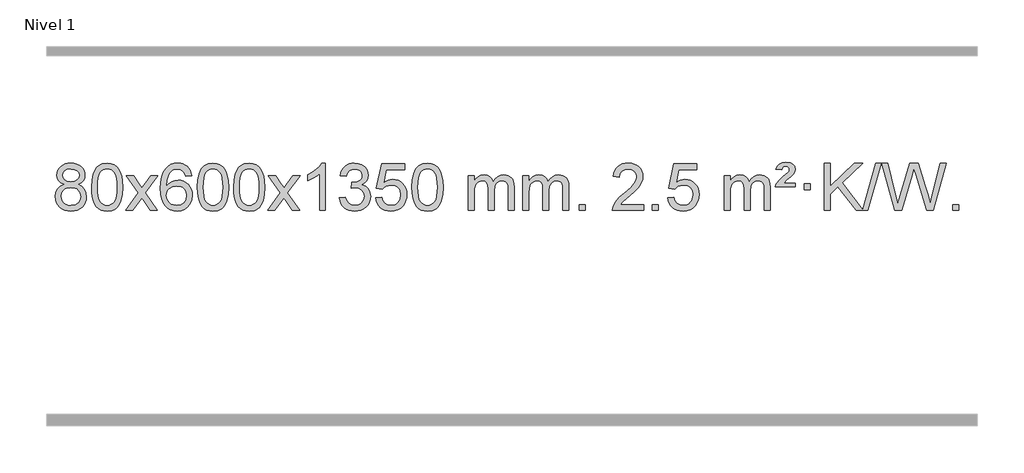
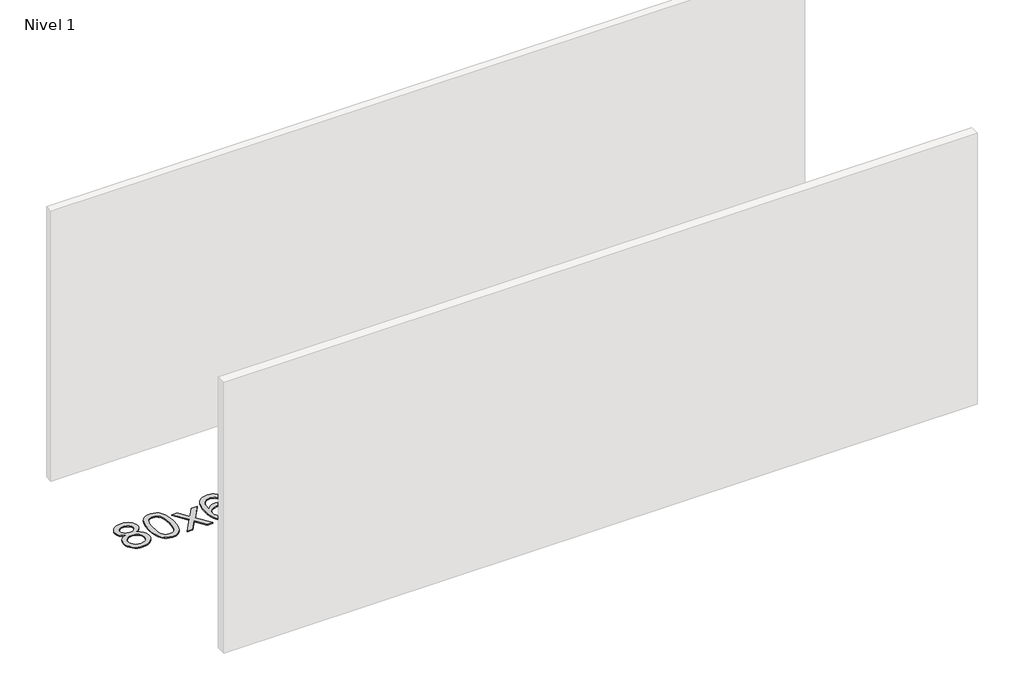
# One storey, part 4 of 9: 1 proxy.
"""IFC4 building model written with IfcOpenShell, lengths in millimetres."""

from ifc_helpers import new_model, si_unit, origin, origin_with_axes, place, context, project, spatial, polyline, outline, extrude, element, save

model = new_model("IFC4")

# Units and contexts
model_context = context("Model", 3, world=origin())
ifc_project = project(units=[si_unit("LENGTHUNIT", "METRE", prefix="MILLI")], contexts=[model_context])

# Site, building, storey
site = spatial("IfcSite", under=ifc_project)
building = spatial("IfcBuilding", under=site)
storey = spatial("IfcBuildingStorey", under=building, Name="Nivel 1", Elevation=0.0)

# Proxy
placement = place(None, origin())
element("IfcBuildingElementProxy", 1, Name="Texto de modelo 1", ObjectType="Texto de modelo 1", at=placement, inside=storey, context=model_context, shape_type="SweptSolid", body=[
    extrude(outline(polyline([(-12882.9857189, -6199.2616447), (-12909.8778927, -6186.0178929), (-12928.7502391, -6168.0652515), (-12939.8970635, -6145.7716026), (-12943.6126717, -6119.5048281), (-12941.5893207, -6099.0199324), (-12935.5192678, -6080.2395565), (-12925.4025129, -6063.1637006), (-12911.2390561, -6047.7923645), (-12893.709479, -6035.088173), (-12873.4943634, -6026.0137504), (-12850.5937092, -6020.5690969), (-12825.0075164, -6018.7542124), (-12799.2986964, -6020.6120165), (-12776.2263639, -6026.1854287), (-12755.7905191, -6035.4744491), (-12737.9911619, -6048.4790776), (-12723.5701876, -6064.1508506), (-12713.2694918, -6081.4413044), (-12707.0890743, -6100.3504389), (-12705.0289351, -6120.8782543), (-12708.6954923, -6146.2989001), (-12719.695164, -6168.2124043), (-12738.1505774, -6186.0546811), (-12764.1843599, -6199.2616447), (-12733.2700096, -6215.1909351), (-12710.7678942, -6238.6495436), (-12697.0458958, -6268.5092989), (-12692.4718963, -6303.6420295), (-12694.740502, -6328.6947933), (-12701.5463189, -6351.6628926), (-12712.8893471, -6372.5463272), (-12728.7695865, -6391.3450971), (-12748.3531714, -6406.88198), (-12770.8062358, -6417.9797536), (-12796.1287798, -6424.6384177), (-12824.3208034, -6426.8579724), (-12852.512827, -6424.6292206), (-12877.835371, -6417.9429654), (-12900.2884354, -6406.7992066), (-12919.8720203, -6391.1979443), (-12935.7522597, -6372.26735), (-12947.0952879, -6351.135595), (-12953.9011048, -6327.8026795), (-12956.1697105, -6302.2686033), (-12951.41177, -6265.7747094), (-12937.1379486, -6235.7555386), (-12914.0840102, -6213.2411605), (-12882.9857189, -6199.2616447)]), holes=[polyline([(-12893.3845166, -6120.9763561), (-12888.9331445, -6142.902123), (-12875.5790281, -6160.413306), (-12853.7145748, -6171.8912243), (-12823.7321922, -6175.717197), (-12794.4487854, -6171.9157497), (-12772.9154259, -6160.5114079), (-12759.6716741, -6143.5888361), (-12755.2570902, -6123.232699), (-12759.8188269, -6102.1040098), (-12773.5040371, -6084.629615), (-12795.3317022, -6072.8941794), (-12824.3208034, -6068.9823675), (-12853.4938456, -6072.8083402), (-12875.2847225, -6084.2862585), (-12888.8595681, -6101.1107284), (-12893.3845166, -6120.9763561)]), polyline([(-12905.9415554, -6300.5027698), (-12903.844628, -6319.7184726), (-12897.5538459, -6338.3210389), (-12885.9410376, -6354.5446349), (-12867.8780316, -6366.623427), (-12846.2465703, -6374.1282197), (-12823.9283959, -6376.6298173), (-12789.7398958, -6371.3691048), (-12775.8462192, -6364.7932141), (-12764.086258, -6355.5869672), (-12748.0466031, -6331.6869002), (-12742.7000514, -6302.0723996), (-12748.2182813, -6271.9551269), (-12764.7729711, -6247.5277625), (-12776.8517633, -6238.0854579), (-12791.0152201, -6231.3409547), (-12825.5961276, -6225.9453521), (-12859.3063811, -6231.2673783), (-12873.043708, -6237.919911), (-12884.7025015, -6247.2334569), (-12900.6317919, -6271.1948375), (-12905.9415554, -6300.5027698)])]), origin_with_axes(), (0.0, 0.0, 1.0), 10.0),
    extrude(outline(polyline([(-12648.5222606, -6222.9041943), (-12644.8311779, -6158.5861588), (-12633.7579299, -6107.2911459), (-12615.4128811, -6068.2343407), (-12603.5548181, -6053.0009605), (-12589.9063961, -6040.6309284), (-12574.4216298, -6031.0598651), (-12557.0545339, -6024.2233914), (-12516.6733536, -6018.7542124), (-12485.722215, -6021.991574), (-12458.0084381, -6031.7036586), (-12434.8318724, -6047.5103217), (-12417.4923677, -6069.0314184), (-12404.3957686, -6096.0830078), (-12393.94792, -6128.4811488), (-12387.1053149, -6169.6226186), (-12384.8244465, -6222.9041943), (-12388.478741, -6286.8543477), (-12399.4416244, -6338.0267333), (-12417.6763087, -6377.1203266), (-12429.5067805, -6392.3996922), (-12443.1460055, -6404.8341036), (-12458.6491659, -6414.4695462), (-12476.071444, -6421.3520052), (-12516.6733536, -6426.8579724), (-12544.3380796, -6424.4667394), (-12568.8635459, -6417.2930405), (-12590.2497526, -6405.3368757), (-12608.4966996, -6388.5982449), (-12626.0078825, -6358.3399508), (-12638.5158704, -6320.6381776), (-12646.0206631, -6275.4929255), (-12648.5222606, -6222.9041943)]), holes=[polyline([(-12598.2941056, -6222.8060924), (-12596.8225776, -6266.4706195), (-12592.4079936, -6301.8148822), (-12585.0503537, -6328.8388804), (-12574.7496579, -6347.5426142), (-12562.290721, -6360.2682656), (-12548.4583579, -6369.3580165), (-12533.2525688, -6374.8118671), (-12516.6733536, -6376.6298173), (-12500.0941383, -6374.8057357), (-12484.8883492, -6369.3334911), (-12471.0559862, -6360.2130833), (-12458.5970493, -6347.4445124), (-12448.2963534, -6328.7101217), (-12440.9387135, -6301.6922549), (-12436.5241295, -6266.3909118), (-12435.0526016, -6222.8060924), (-12436.4750786, -6180.2973278), (-12440.7425098, -6145.5753989), (-12447.854895, -6118.6403055), (-12457.8122343, -6099.4920476), (-12470.0627048, -6086.1440625), (-12484.0544833, -6076.6097875), (-12499.78757, -6070.8892225), (-12517.2619648, -6068.9823675), (-12533.7553409, -6070.6623619), (-12548.7036126, -6075.7023452), (-12562.10678, -6084.1023175), (-12573.9648429, -6095.8622786), (-12584.6088953, -6116.708925), (-12592.2117899, -6144.8151094), (-12596.7735266, -6180.1808319), (-12598.2941056, -6222.8060924)])]), origin_with_axes(), (0.0, 0.0, 1.0), 10.0),
    extrude(outline(polyline([(-12359.7103689, -6420.579453), (-12252.3869282, -6272.2494325), (-12353.4318496, -6125.4890419), (-12293.0011005, -6125.4890419), (-12244.2444734, -6196.122385), (-12221.4848406, -6229.4770192), (-12201.7663657, -6202.2047007), (-12146.2407099, -6125.4890419), (-12085.8099608, -6125.4890419), (-12191.9561791, -6272.2494325), (-12089.7340354, -6420.579453), (-12150.1647845, -6420.579453), (-12211.6746541, -6331.4048574), (-12222.9563686, -6315.1199477), (-12299.2796199, -6420.579453), (-12359.7103689, -6420.579453)])), origin_with_axes(), (0.0, 0.0, 1.0), 10.0),
    extrude(outline(polyline([(-11800.9221437, -6125.4890419), (-11851.1502988, -6131.7675613), (-11859.2437027, -6106.874213), (-11870.1820607, -6089.8780648), (-11892.9662189, -6074.2062918), (-11920.5083176, -6068.9823675), (-11943.8565616, -6072.0235253), (-11965.8313794, -6081.1469988), (-11984.7037258, -6100.3627017), (-12000.1179814, -6126.8134171), (-12010.5290419, -6164.227016), (-12014.3918028, -6216.3313693), (-11994.2441322, -6192.8237098), (-11970.0988106, -6176.2567573), (-11943.3047386, -6166.434308), (-11915.2108169, -6163.1601582), (-11891.077758, -6165.398107), (-11868.8086346, -6172.1119534), (-11848.4034466, -6183.3016975), (-11829.862194, -6198.9673391), (-11814.4540698, -6218.1769106), (-11803.4482668, -6239.9984443), (-11796.844785, -6264.4319401), (-11794.6436244, -6291.4773982), (-11798.7884282, -6327.4439945), (-11811.2228396, -6360.786366), (-11830.9167891, -6389.0642287), (-11856.840207, -6409.8372987), (-11887.815871, -6422.602804), (-11922.6665587, -6426.8579724), (-11952.6090874, -6424.0375437), (-11979.6514797, -6415.5762579), (-12003.7937357, -6401.4741147), (-12025.0358552, -6381.7311143), (-12042.3539001, -6355.5133908), (-12054.7239322, -6321.9870783), (-12062.1459515, -6281.1521768), (-12064.6199579, -6233.0086864), (-12061.8731057, -6179.0342663), (-12053.632549, -6132.9693092), (-12039.8982878, -6094.8138149), (-12020.6703222, -6064.5677835), (-11999.8298072, -6044.5243462), (-11975.6660915, -6030.2076052), (-11948.179175, -6021.6175606), (-11917.3690579, -6018.7542124), (-11894.2354118, -6020.5261773), (-11873.2967949, -6025.8420722), (-11854.5532073, -6034.7018969), (-11838.0046489, -6047.1056515), (-11824.0987094, -6062.6364031), (-11813.2829788, -6080.8772186), (-11805.5574569, -6101.8280983), (-11800.9221437, -6125.4890419)]), holes=[polyline([(-12014.3918028, -6290.6925832), (-12011.485535, -6312.9494439), (-12002.7667318, -6334.2007605), (-11989.2286743, -6352.472233), (-11971.8646442, -6365.7895612), (-11950.9076332, -6373.9197533), (-11926.5906333, -6376.6298173), (-11893.4444655, -6371.0134855), (-11879.5293291, -6363.9930708), (-11867.3861575, -6354.1644901), (-11857.5361171, -6341.9262824), (-11850.500374, -6327.6769865), (-11844.8717794, -6293.1451299), (-11850.4267976, -6259.9989621), (-11857.3705702, -6246.3781312), (-11867.0918519, -6234.725469), (-11879.2718117, -6225.3904634), (-11893.5916183, -6218.7226022), (-11928.6507725, -6213.3883133), (-11961.7478893, -6218.7226022), (-11989.4248781, -6234.725469), (-12000.3479076, -6246.2248471), (-12008.1500716, -6259.3858254), (-12012.83137, -6274.2084042), (-12014.3918028, -6290.6925832)])]), origin_with_axes(), (0.0, 0.0, 1.0), 10.0),
    extrude(outline(polyline([(-11750.6939887, -6222.9041943), (-11747.002906, -6158.5861588), (-11735.9296579, -6107.2911459), (-11717.5846091, -6068.2343407), (-11705.7265461, -6053.0009605), (-11692.0781241, -6040.6309284), (-11676.5933578, -6031.0598651), (-11659.2262619, -6024.2233914), (-11618.8450816, -6018.7542124), (-11587.8939431, -6021.991574), (-11560.1801661, -6031.7036586), (-11537.0036004, -6047.5103217), (-11519.6640957, -6069.0314184), (-11506.5674967, -6096.0830078), (-11496.119648, -6128.4811488), (-11489.2770429, -6169.6226186), (-11486.9961745, -6222.9041943), (-11490.650469, -6286.8543477), (-11501.6133525, -6338.0267333), (-11519.8480367, -6377.1203266), (-11531.6785085, -6392.3996922), (-11545.3177335, -6404.8341036), (-11560.8208939, -6414.4695462), (-11578.2431721, -6421.3520052), (-11618.8450816, -6426.8579724), (-11646.5098076, -6424.4667394), (-11671.035274, -6417.2930405), (-11692.4214806, -6405.3368757), (-11710.6684276, -6388.5982449), (-11728.1796106, -6358.3399508), (-11740.6875984, -6320.6381776), (-11748.1923911, -6275.4929255), (-11750.6939887, -6222.9041943)]), holes=[polyline([(-11700.4658336, -6222.8060924), (-11698.9943056, -6266.4706195), (-11694.5797217, -6301.8148822), (-11687.2220818, -6328.8388804), (-11676.9213859, -6347.5426142), (-11664.462449, -6360.2682656), (-11650.630086, -6369.3580165), (-11635.4242968, -6374.8118671), (-11618.8450816, -6376.6298173), (-11602.2658663, -6374.8057357), (-11587.0600772, -6369.3334911), (-11573.2277142, -6360.2130833), (-11560.7687773, -6347.4445124), (-11550.4680814, -6328.7101217), (-11543.1104415, -6301.6922549), (-11538.6958576, -6266.3909118), (-11537.2243296, -6222.8060924), (-11538.6468066, -6180.2973278), (-11542.9142378, -6145.5753989), (-11550.026623, -6118.6403055), (-11559.9839624, -6099.4920476), (-11572.2344328, -6086.1440625), (-11586.2262114, -6076.6097875), (-11601.959298, -6070.8892225), (-11619.4336928, -6068.9823675), (-11635.9270689, -6070.6623619), (-11650.8753406, -6075.7023452), (-11664.278508, -6084.1023175), (-11676.136571, -6095.8622786), (-11686.7806234, -6116.708925), (-11694.3835179, -6144.8151094), (-11698.9452547, -6180.1808319), (-11700.4658336, -6222.8060924)])]), origin_with_axes(), (0.0, 0.0, 1.0), 10.0),
    extrude(outline(polyline([(-11443.0465388, -6222.9041943), (-11439.3554561, -6158.5861588), (-11428.2822081, -6107.2911459), (-11409.9371593, -6068.2343407), (-11398.0790963, -6053.0009605), (-11384.4306743, -6040.6309284), (-11368.945908, -6031.0598651), (-11351.5788121, -6024.2233914), (-11311.1976318, -6018.7542124), (-11280.2464932, -6021.991574), (-11252.5327163, -6031.7036586), (-11229.3561506, -6047.5103217), (-11212.0166459, -6069.0314184), (-11198.9200468, -6096.0830078), (-11188.4721982, -6128.4811488), (-11181.6295931, -6169.6226186), (-11179.3487247, -6222.9041943), (-11183.0030192, -6286.8543477), (-11193.9659026, -6338.0267333), (-11212.2005869, -6377.1203266), (-11224.0310587, -6392.3996922), (-11237.6702837, -6404.8341036), (-11253.1734441, -6414.4695462), (-11270.5957222, -6421.3520052), (-11311.1976318, -6426.8579724), (-11338.8623578, -6424.4667394), (-11363.3878241, -6417.2930405), (-11384.7740308, -6405.3368757), (-11403.0209778, -6388.5982449), (-11420.5321607, -6358.3399508), (-11433.0401486, -6320.6381776), (-11440.5449413, -6275.4929255), (-11443.0465388, -6222.9041943)]), holes=[polyline([(-11392.8183838, -6222.8060924), (-11391.3468558, -6266.4706195), (-11386.9322718, -6301.8148822), (-11379.5746319, -6328.8388804), (-11369.2739361, -6347.5426142), (-11356.8149992, -6360.2682656), (-11342.9826361, -6369.3580165), (-11327.776847, -6374.8118671), (-11311.1976318, -6376.6298173), (-11294.6184165, -6374.8057357), (-11279.4126274, -6369.3334911), (-11265.5802644, -6360.2130833), (-11253.1213275, -6347.4445124), (-11242.8206316, -6328.7101217), (-11235.4629917, -6301.6922549), (-11231.0484077, -6266.3909118), (-11229.5768798, -6222.8060924), (-11230.9993568, -6180.2973278), (-11235.266788, -6145.5753989), (-11242.3791732, -6118.6403055), (-11252.3365125, -6099.4920476), (-11264.586983, -6086.1440625), (-11278.5787615, -6076.6097875), (-11294.3118482, -6070.8892225), (-11311.786243, -6068.9823675), (-11328.2796191, -6070.6623619), (-11343.2278908, -6075.7023452), (-11356.6310582, -6084.1023175), (-11368.4891211, -6095.8622786), (-11379.1331735, -6116.708925), (-11386.7360681, -6144.8151094), (-11391.2978048, -6180.1808319), (-11392.8183838, -6222.8060924)])]), origin_with_axes(), (0.0, 0.0, 1.0), 10.0),
    extrude(outline(polyline([(-11154.2346472, -6420.579453), (-11046.9112064, -6272.2494325), (-11147.9561278, -6125.4890419), (-11087.5253787, -6125.4890419), (-11038.7687516, -6196.122385), (-11016.0091188, -6229.4770192), (-10996.2906439, -6202.2047007), (-10940.7649881, -6125.4890419), (-10880.334239, -6125.4890419), (-10986.4804574, -6272.2494325), (-10884.2583136, -6420.579453), (-10944.6890627, -6420.579453), (-11006.1989323, -6331.4048574), (-11017.4806468, -6315.1199477), (-11093.8038981, -6420.579453), (-11154.2346472, -6420.579453)])), origin_with_axes(), (0.0, 0.0, 1.0), 10.0),
    extrude(outline(polyline([(-10664.5101352, -6420.579453), (-10714.7382902, -6420.579453), (-10714.7382902, -6107.4382987), (-10735.707564, -6124.3976587), (-10762.317695, -6141.3324932), (-10815.1946004, -6166.6918254), (-10815.1946004, -6119.2105225), (-10775.7453878, -6097.7507395), (-10741.5691504, -6072.219729), (-10714.6279257, -6045.0700378), (-10696.8837508, -6018.7542124), (-10664.5101352, -6018.7542124), (-10664.5101352, -6420.579453)])), origin_with_axes(), (0.0, 0.0, 1.0), 10.0),
    extrude(outline(polyline([(-10545.2182669, -6313.8446235), (-10494.9901118, -6307.5661041), (-10483.7451855, -6339.1303793), (-10467.2763348, -6360.4430095), (-10444.7742195, -6372.5831154), (-10415.429499, -6376.6298173), (-10380.9957442, -6371.0625364), (-10366.7219228, -6364.1034354), (-10354.4101387, -6354.3606939), (-10337.4139905, -6329.4428201), (-10331.7486078, -6299.2274455), (-10337.3649396, -6270.5449126), (-10354.213935, -6247.2825078), (-10379.72042, -6231.8682522), (-10411.3092206, -6226.730167), (-10446.5277903, -6232.2238715), (-10440.935984, -6181.9957164), (-10432.891631, -6182.5843276), (-10402.7988838, -6178.979084), (-10375.8944472, -6168.1633534), (-10364.8211992, -6159.9841103), (-10356.9117363, -6149.8673555), (-10352.1660585, -6137.8130888), (-10350.584166, -6123.8213102), (-10355.1704282, -6102.1285352), (-10368.9292148, -6084.5315131), (-10389.923014, -6072.8696539), (-10416.2143139, -6068.9823675), (-10442.5546648, -6072.9064421), (-10464.0880242, -6084.6786659), (-10479.8088481, -6104.299039), (-10488.7115924, -6131.7675613), (-10538.9397475, -6125.4890419), (-10532.9861905, -6101.5092672), (-10524.1508913, -6080.3867093), (-10512.4338497, -6062.1213683), (-10497.8350659, -6046.713244), (-10480.8143922, -6034.4811677), (-10461.8316813, -6025.7439703), (-10440.886933, -6020.5016519), (-10417.9801475, -6018.7542124), (-10386.4036096, -6022.2000404), (-10357.4022456, -6032.5375245), (-10332.9503557, -6048.8469596), (-10315.0222398, -6070.2086408), (-10304.0225681, -6094.8199463), (-10300.3560109, -6120.8782543), (-10303.8386271, -6145.1584659), (-10314.2864758, -6167.1823347), (-10331.5524041, -6185.9443165), (-10355.4892592, -6200.4388671), (-10324.0476114, -6213.1430586), (-10300.7484183, -6234.77452), (-10286.3274441, -6264.1560286), (-10281.5204527, -6300.1103623), (-10283.9239484, -6325.5923218), (-10291.1344355, -6349.0631931), (-10303.151914, -6370.5229762), (-10319.976384, -6389.971671), (-10340.4735425, -6406.1094278), (-10363.5090867, -6417.636397), (-10389.0830168, -6424.5525785), (-10417.1953326, -6426.8579724), (-10442.6037157, -6424.8898037), (-10465.7557559, -6418.9852977), (-10486.6514532, -6409.1444543), (-10505.2908077, -6395.3672736), (-10520.9196611, -6378.4630959), (-10532.7838554, -6359.2412617), (-10540.8833907, -6337.7017708), (-10545.2182669, -6313.8446235)])), origin_with_axes(), (0.0, 0.0, 1.0), 10.0),
    extrude(outline(polyline([(-10237.570817, -6313.8446235), (-10187.342662, -6307.5661041), (-10178.1210866, -6337.7201649), (-10162.0323807, -6359.3148381), (-10139.1501206, -6372.3010725), (-10109.5478827, -6376.6298173), (-10090.418019, -6375.1245668), (-10073.5444981, -6370.6088153), (-10058.9273202, -6363.0825628), (-10046.5664851, -6352.5458094), (-10036.7379045, -6339.519721), (-10029.7174898, -6324.5254641), (-10024.101158, -6288.6324441), (-10029.3618705, -6254.8363514), (-10035.9377612, -6240.9181493), (-10045.1440081, -6228.9865099), (-10057.0112681, -6219.4154467), (-10071.5701981, -6212.5789729), (-10108.7630678, -6207.1097939), (-10133.1291186, -6209.2925604), (-10152.8598563, -6215.8408599), (-10168.6174684, -6225.8717757), (-10181.0641426, -6238.5023908), (-10231.2922977, -6232.2238715), (-10187.342662, -6025.0327318), (-9992.708561, -6025.0327318), (-9992.708561, -6075.2608869), (-10146.7284897, -6075.2608869), (-10168.2127982, -6185.919791), (-10150.4870174, -6173.2155994), (-10132.332041, -6164.1411769), (-10113.7478688, -6158.6965234), (-10094.734501, -6156.8816388), (-10070.273414, -6159.1318504), (-10047.8050212, -6165.882485), (-10027.3293225, -6177.1335427), (-10008.8463179, -6192.8850234), (-9993.5454926, -6212.1743027), (-9982.6163316, -6234.038756), (-9976.0588351, -6258.4783832), (-9973.8730029, -6285.4931844), (-9975.8411716, -6311.5147042), (-9981.7456776, -6335.7213394), (-9991.586521, -6358.1130902), (-10005.3637017, -6378.6899565), (-10026.2348735, -6399.7634634), (-10050.5886616, -6414.8159684), (-10078.4250659, -6423.8474714), (-10109.7440864, -6426.8579724), (-10135.6644387, -6424.9235262), (-10159.077062, -6419.1201877), (-10179.9819564, -6409.447957), (-10198.3791218, -6395.9068338), (-10213.6860785, -6379.1712688), (-10225.3203466, -6359.915712), (-10233.2819261, -6338.1401636), (-10237.570817, -6313.8446235)])), origin_with_axes(), (0.0, 0.0, 1.0), 10.0),
    extrude(outline(polyline([(-9929.9233672, -6222.9041943), (-9926.2322845, -6158.5861588), (-9915.1590365, -6107.2911459), (-9896.8139876, -6068.2343407), (-9884.9559247, -6053.0009605), (-9871.3075026, -6040.6309284), (-9855.8227363, -6031.0598651), (-9838.4556405, -6024.2233914), (-9798.0744601, -6018.7542124), (-9767.1233216, -6021.991574), (-9739.4095446, -6031.7036586), (-9716.2329789, -6047.5103217), (-9698.8934742, -6069.0314184), (-9685.7968752, -6096.0830078), (-9675.3490265, -6128.4811488), (-9668.5064214, -6169.6226186), (-9666.2255531, -6222.9041943), (-9669.8798475, -6286.8543477), (-9680.842731, -6338.0267333), (-9699.0774152, -6377.1203266), (-9710.9078871, -6392.3996922), (-9724.547112, -6404.8341036), (-9740.0502724, -6414.4695462), (-9757.4725506, -6421.3520052), (-9798.0744601, -6426.8579724), (-9825.7391862, -6424.4667394), (-9850.2646525, -6417.2930405), (-9871.6508592, -6405.3368757), (-9889.8978061, -6388.5982449), (-9907.4089891, -6358.3399508), (-9919.9169769, -6320.6381776), (-9927.4217696, -6275.4929255), (-9929.9233672, -6222.9041943)]), holes=[polyline([(-9879.6952121, -6222.8060924), (-9878.2236842, -6266.4706195), (-9873.8091002, -6301.8148822), (-9866.4514603, -6328.8388804), (-9856.1507644, -6347.5426142), (-9843.6918275, -6360.2682656), (-9829.8594645, -6369.3580165), (-9814.6536754, -6374.8118671), (-9798.0744601, -6376.6298173), (-9781.4952449, -6374.8057357), (-9766.2894558, -6369.3334911), (-9752.4570927, -6360.2130833), (-9739.9981558, -6347.4445124), (-9729.69746, -6328.7101217), (-9722.3398201, -6301.6922549), (-9717.9252361, -6266.3909118), (-9716.4537081, -6222.8060924), (-9717.8761852, -6180.2973278), (-9722.1436163, -6145.5753989), (-9729.2560016, -6118.6403055), (-9739.2133409, -6099.4920476), (-9751.4638113, -6086.1440625), (-9765.4555899, -6076.6097875), (-9781.1886766, -6070.8892225), (-9798.6630713, -6068.9823675), (-9815.1564474, -6070.6623619), (-9830.1047192, -6075.7023452), (-9843.5078865, -6084.1023175), (-9855.3659495, -6095.8622786), (-9866.0100019, -6116.708925), (-9873.6128965, -6144.8151094), (-9878.1746332, -6180.1808319), (-9879.6952121, -6222.8060924)])]), origin_with_axes(), (0.0, 0.0, 1.0), 10.0),
    extrude(outline(polyline([(-9452.755894, -6420.579453), (-9452.755894, -6125.4890419), (-9402.5277389, -6125.4890419), (-9402.5277389, -6174.0494653), (-9387.4200517, -6151.7435537), (-9367.9958823, -6134.2691589), (-9344.9174185, -6122.9751816), (-9318.8468478, -6119.2105225), (-9290.9123416, -6123.048758), (-9268.5205908, -6134.5634645), (-9251.7942228, -6152.9943524), (-9240.8558648, -6177.5811324), (-9222.5476041, -6152.0439906), (-9201.6641696, -6133.803175), (-9178.205561, -6122.8586857), (-9152.1717785, -6119.2105225), (-9132.0639617, -6120.7280358), (-9114.414823, -6125.2805755), (-9099.2243623, -6132.8681416), (-9086.4925796, -6143.4907342), (-9076.4279413, -6157.2709806), (-9069.238914, -6174.3315082), (-9064.9254976, -6194.6723168), (-9063.4876922, -6218.2934066), (-9063.4876922, -6420.579453), (-9113.7158472, -6420.579453), (-9113.7158472, -6239.875817), (-9114.8808069, -6214.8230531), (-9118.3756858, -6197.9372695), (-9124.9239854, -6186.3735121), (-9135.2492067, -6177.2868268), (-9148.5297467, -6171.4007149), (-9163.9440023, -6169.4386776), (-9191.1550072, -6174.4663982), (-9213.3382915, -6189.54956), (-9221.9436645, -6201.1194488), (-9228.0903595, -6215.7182326), (-9233.0077155, -6254.0024856), (-9233.0077155, -6420.579453), (-9283.2358706, -6420.579453), (-9283.2358706, -6234.2840106), (-9286.1421384, -6205.8835206), (-9294.8609417, -6185.6254854), (-9310.2016209, -6173.4853796), (-9332.9735164, -6169.4386776), (-9352.3241093, -6172.1364789), (-9370.1541233, -6180.2298828), (-9384.8694032, -6193.5226856), (-9394.8757934, -6211.8186835), (-9400.6147525, -6237.2025411), (-9402.5277389, -6271.7589232), (-9402.5277389, -6420.579453), (-9452.755894, -6420.579453)])), origin_with_axes(), (0.0, 0.0, 1.0), 10.0),
    extrude(outline(polyline([(-8988.1454596, -6420.579453), (-8988.1454596, -6125.4890419), (-8937.9173045, -6125.4890419), (-8937.9173045, -6174.0494653), (-8922.8096172, -6151.7435537), (-8903.3854479, -6134.2691589), (-8880.306984, -6122.9751816), (-8854.2364133, -6119.2105225), (-8826.3019071, -6123.048758), (-8803.9101564, -6134.5634645), (-8787.1837883, -6152.9943524), (-8776.2454303, -6177.5811324), (-8757.9371697, -6152.0439906), (-8737.0537351, -6133.803175), (-8713.5951266, -6122.8586857), (-8687.561344, -6119.2105225), (-8667.4535273, -6120.7280358), (-8649.8043886, -6125.2805755), (-8634.6139279, -6132.8681416), (-8621.8821452, -6143.4907342), (-8611.8175069, -6157.2709806), (-8604.6284796, -6174.3315082), (-8600.3150632, -6194.6723168), (-8598.8772577, -6218.2934066), (-8598.8772577, -6420.579453), (-8649.1054128, -6420.579453), (-8649.1054128, -6239.875817), (-8650.2703724, -6214.8230531), (-8653.7652514, -6197.9372695), (-8660.3135509, -6186.3735121), (-8670.6387722, -6177.2868268), (-8683.9193123, -6171.4007149), (-8699.3335679, -6169.4386776), (-8726.5445728, -6174.4663982), (-8748.7278571, -6189.54956), (-8757.3332301, -6201.1194488), (-8763.4799251, -6215.7182326), (-8768.3972811, -6254.0024856), (-8768.3972811, -6420.579453), (-8818.6254362, -6420.579453), (-8818.6254362, -6234.2840106), (-8821.5317039, -6205.8835206), (-8830.2505072, -6185.6254854), (-8845.5911864, -6173.4853796), (-8868.3630819, -6169.4386776), (-8887.7136749, -6172.1364789), (-8905.5436889, -6180.2298828), (-8920.2589687, -6193.5226856), (-8930.265359, -6211.8186835), (-8936.0043181, -6237.2025411), (-8937.9173045, -6271.7589232), (-8937.9173045, -6420.579453), (-8988.1454596, -6420.579453)])), origin_with_axes(), (0.0, 0.0, 1.0), 10.0),
    extrude(outline(polyline([(-8510.9779863, -6420.579453), (-8510.9779863, -6370.3512979), (-8460.7498313, -6370.3512979), (-8460.7498313, -6420.579453), (-8510.9779863, -6420.579453)])), origin_with_axes(), (0.0, 0.0, 1.0), 10.0),
    extrude(outline(polyline([(-7964.7467999, -6370.3512979), (-7964.7467999, -6420.579453), (-8228.444614, -6420.579453), (-8227.3409681, -6402.8965918), (-8223.0490115, -6385.9494945), (-8210.6636509, -6358.8856424), (-8192.5393313, -6332.6311307), (-8166.3216078, -6305.1503456), (-8129.6560356, -6274.4076736), (-8075.454755, -6226.2641831), (-8042.9339866, -6190.7267824), (-8026.6736024, -6161.884834), (-8021.2534744, -6133.8277005), (-8026.3670341, -6108.6768347), (-8041.7077133, -6087.7688747), (-8065.2889492, -6073.6789943), (-8095.124179, -6068.9823675), (-8126.4554623, -6073.5686297), (-8150.7969876, -6087.3274163), (-8166.5055488, -6109.1796068), (-8171.9379396, -6138.0460807), (-8222.1660947, -6131.7675613), (-8217.8465469, -6105.838012), (-8209.9892006, -6083.1826125), (-8198.5940558, -6063.8013627), (-8183.6611125, -6047.6942627), (-8165.5337272, -6035.0329907), (-8144.5552564, -6025.989225), (-8120.7257002, -6020.5629655), (-8094.0450585, -6018.7542124), (-8067.1252935, -6020.7653006), (-8043.1669785, -6026.7985654), (-8022.1701137, -6036.8540066), (-8004.1346989, -6050.9316242), (-7989.6493453, -6067.9890861), (-7979.3026642, -6086.9840598), (-7973.0946555, -6107.9165453), (-7971.0253193, -6130.7865427), (-7973.2571367, -6154.8092369), (-7979.952589, -6178.4149983), (-7991.8351775, -6202.4254299), (-8009.6284033, -6227.6621347), (-8037.9921051, -6257.7916701), (-8081.5861216, -6296.4805933), (-8139.3681203, -6344.795762), (-8162.0296512, -6370.3512979), (-7964.7467999, -6370.3512979)])), origin_with_axes(), (0.0, 0.0, 1.0), 10.0),
    extrude(outline(polyline([(-7889.4045673, -6420.579453), (-7889.4045673, -6370.3512979), (-7839.1764122, -6370.3512979), (-7839.1764122, -6420.579453), (-7889.4045673, -6420.579453)])), origin_with_axes(), (0.0, 0.0, 1.0), 10.0),
    extrude(outline(polyline([(-7757.5556602, -6313.8446235), (-7707.3275051, -6307.5661041), (-7698.1059298, -6337.7201649), (-7682.0172239, -6359.3148381), (-7659.1349638, -6372.3010725), (-7629.5327259, -6376.6298173), (-7610.4028621, -6375.1245668), (-7593.5293413, -6370.6088153), (-7578.9121634, -6363.0825628), (-7566.5513283, -6352.5458094), (-7556.7227477, -6339.519721), (-7549.7023329, -6324.5254641), (-7544.0860012, -6288.6324441), (-7549.3467137, -6254.8363514), (-7555.9226043, -6240.9181493), (-7565.1288513, -6228.9865099), (-7576.9961113, -6219.4154467), (-7591.5550413, -6212.5789729), (-7628.747911, -6207.1097939), (-7653.1139618, -6209.2925604), (-7672.8446995, -6215.8408599), (-7688.6023116, -6225.8717757), (-7701.0489858, -6238.5023908), (-7751.2771408, -6232.2238715), (-7707.3275051, -6025.0327318), (-7512.6934042, -6025.0327318), (-7512.6934042, -6075.2608869), (-7666.7133329, -6075.2608869), (-7688.1976414, -6185.919791), (-7670.4718606, -6173.2155994), (-7652.3168841, -6164.1411769), (-7633.732712, -6158.6965234), (-7614.7193442, -6156.8816388), (-7590.2582572, -6159.1318504), (-7567.7898644, -6165.882485), (-7547.3141657, -6177.1335427), (-7528.8311611, -6192.8850234), (-7513.5303358, -6212.1743027), (-7502.6011748, -6234.038756), (-7496.0436783, -6258.4783832), (-7493.8578461, -6285.4931844), (-7495.8260148, -6311.5147042), (-7501.7305208, -6335.7213394), (-7511.5713641, -6358.1130902), (-7525.3485449, -6378.6899565), (-7546.2197167, -6399.7634634), (-7570.5735048, -6414.8159684), (-7598.4099091, -6423.8474714), (-7629.7289296, -6426.8579724), (-7655.6492819, -6424.9235262), (-7679.0619052, -6419.1201877), (-7699.9667996, -6409.447957), (-7718.363965, -6395.9068338), (-7733.6709217, -6379.1712688), (-7745.3051898, -6359.915712), (-7753.2667693, -6338.1401636), (-7757.5556602, -6313.8446235)])), origin_with_axes(), (0.0, 0.0, 1.0), 10.0),
    extrude(outline(polyline([(-7280.388187, -6420.579453), (-7280.388187, -6125.4890419), (-7230.1600319, -6125.4890419), (-7230.1600319, -6174.0494653), (-7215.0523447, -6151.7435537), (-7195.6281753, -6134.2691589), (-7172.5497115, -6122.9751816), (-7146.4791408, -6119.2105225), (-7118.5446346, -6123.048758), (-7096.1528838, -6134.5634645), (-7079.4265158, -6152.9943524), (-7068.4881578, -6177.5811324), (-7050.1798972, -6152.0439906), (-7029.2964626, -6133.803175), (-7005.837854, -6122.8586857), (-6979.8040715, -6119.2105225), (-6959.6962548, -6120.7280358), (-6942.047116, -6125.2805755), (-6926.8566553, -6132.8681416), (-6914.1248726, -6143.4907342), (-6904.0602344, -6157.2709806), (-6896.871207, -6174.3315082), (-6892.5577906, -6194.6723168), (-6891.1199852, -6218.2934066), (-6891.1199852, -6420.579453), (-6941.3481403, -6420.579453), (-6941.3481403, -6239.875817), (-6942.5130999, -6214.8230531), (-6946.0079789, -6197.9372695), (-6952.5562784, -6186.3735121), (-6962.8814997, -6177.2868268), (-6976.1620397, -6171.4007149), (-6991.5762953, -6169.4386776), (-7018.7873002, -6174.4663982), (-7040.9705845, -6189.54956), (-7049.5759576, -6201.1194488), (-7055.7226526, -6215.7182326), (-7060.6400086, -6254.0024856), (-7060.6400086, -6420.579453), (-7110.8681636, -6420.579453), (-7110.8681636, -6234.2840106), (-7113.7744314, -6205.8835206), (-7122.4932347, -6185.6254854), (-7137.8339139, -6173.4853796), (-7160.6058094, -6169.4386776), (-7179.9564023, -6172.1364789), (-7197.7864164, -6180.2298828), (-7212.5016962, -6193.5226856), (-7222.5080864, -6211.8186835), (-7228.2470456, -6237.2025411), (-7230.1600319, -6271.7589232), (-7230.1600319, -6420.579453), (-7280.388187, -6420.579453)])), origin_with_axes(), (0.0, 0.0, 1.0), 10.0),
    extrude(outline(polyline([(-6847.1703495, -6219.6668327), (-6843.3443767, -6203.8479069), (-6835.0057182, -6187.9799302), (-6813.4968842, -6162.8413272), (-6781.5402016, -6135.1030247), (-6737.3943621, -6097.726214), (-6730.2574514, -6086.1992448), (-6727.8784812, -6074.3779701), (-6729.7669421, -6062.2869152), (-6735.4323248, -6052.5012541), (-6744.801053, -6046.026531), (-6757.7995501, -6043.8682899), (-6770.2339616, -6045.4869707), (-6779.0876549, -6050.343013), (-6785.5133271, -6059.8098431), (-6790.663675, -6075.2608869), (-6840.8918301, -6068.9823675), (-6830.051574, -6043.7701881), (-6813.4233078, -6026.2099542), (-6789.6581309, -6015.9092583), (-6757.4071427, -6012.475693), (-6721.6244873, -6016.6082341), (-6696.8782917, -6029.0058573), (-6682.4573175, -6047.3386434), (-6677.6503261, -6069.2766731), (-6681.746079, -6092.1834586), (-6694.0333376, -6113.8149199), (-6714.561153, -6133.6314968), (-6751.0305214, -6161.6886303), (-6776.6351083, -6188.2742358), (-6677.6503261, -6188.2742358), (-6677.6503261, -6219.6668327), (-6847.1703495, -6219.6668327)])), origin_with_axes(), (0.0, 0.0, 1.0), 10.0),
    extrude(outline(polyline([(-6602.3080935, -6244.7809102), (-6602.3080935, -6194.5527552), (-6552.0799384, -6194.5527552), (-6552.0799384, -6244.7809102), (-6602.3080935, -6244.7809102)])), origin_with_axes(), (0.0, 0.0, 1.0), 10.0),
    extrude(outline(polyline([(-6161.4383105, -6420.579453), (-6314.8696279, -6217.9009991), (-6382.559915, -6282.4520265), (-6382.559915, -6420.579453), (-6432.7880701, -6420.579453), (-6432.7880701, -6018.7542124), (-6382.559915, -6018.7542124), (-6382.559915, -6215.4484525), (-6176.5459977, -6018.7542124), (-6106.3050621, -6018.7542124), (-6279.2586508, -6183.9577537), (-6104.6050409, -6414.5349332), (-5993.2917132, -6018.7542124), (-5947.9686514, -6018.7542124), (-6060.9820003, -6420.579453), (-6100.0265428, -6420.579453), (-6106.3050621, -6420.579453), (-6161.4383105, -6420.579453)])), origin_with_axes(), (0.0, 0.0, 1.0), 10.0),
    extrude(outline(polyline([(-5833.4837745, -6420.579453), (-5943.0635581, -6018.7542124), (-5891.2657732, -6018.7542124), (-5827.6957645, -6282.844434), (-5808.0753914, -6364.3670841), (-5787.0815922, -6292.2622131), (-5707.4228775, -6018.7542124), (-5632.7673579, -6018.7542124), (-5574.8872574, -6217.0180823), (-5550.0920109, -6290.5944814), (-5531.8205385, -6364.3670841), (-5512.7887766, -6285.1988788), (-5448.6301566, -6018.7542124), (-5396.8323717, -6018.7542124), (-5506.5102572, -6420.579453), (-5560.1719776, -6420.579453), (-5656.5080094, -6110.5775584), (-5669.9479649, -6067.3146358), (-5685.0556522, -6119.4067263), (-5772.8568217, -6420.579453), (-5833.4837745, -6420.579453)])), origin_with_axes(), (0.0, 0.0, 1.0), 10.0),
    extrude(outline(polyline([(-5340.3256972, -6420.579453), (-5340.3256972, -6370.3512979), (-5290.0975422, -6370.3512979), (-5290.0975422, -6420.579453), (-5340.3256972, -6420.579453)])), origin_with_axes(), (0.0, 0.0, 1.0), 10.0),
])

save(model, "model.ifc")
